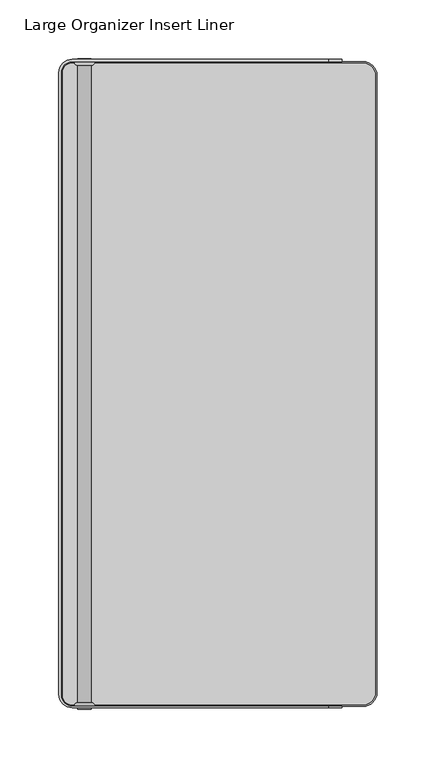
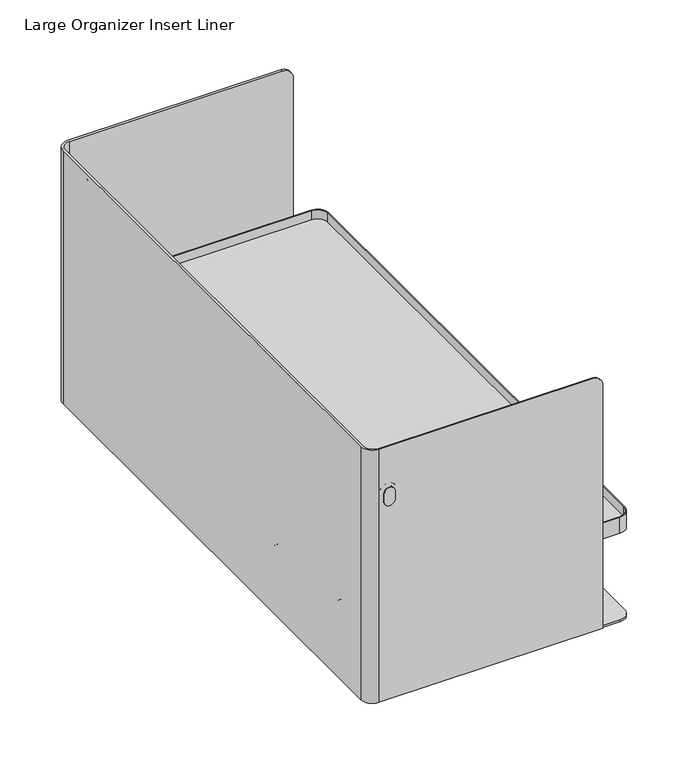
"""IFC4 building model written with IfcOpenShell, lengths in millimetres: furniture geometry, Large Organizer Insert Liner."""

from ifc_helpers import new_model, si_unit, point, frame, frame_2d, origin, place, context, project, spatial, polyline, circle_curve, ellipse_curve, trimmed, segment, composite_curve, outline, extrude, source, transform, mapped, element, save
from ifc_brep_helpers import plane_surface, cylinder_surface, revolved_surface, advanced_brep


def large_organizer_insert_liner_e83b734a(model_context):
    return source(origin(), model_context, "Body", "SolidModel", [
        extrude(outline(polyline([(123.2284967, 821.563), (123.2284967, 796.163), (97.8284967, 796.163), (97.8284967, 821.563), (123.2284967, 821.563)]), holes=[composite_curve([segment(trimmed(circle_curve(frame_2d((110.5284967, 808.801192)), 6.35), [point((104.1784967, 808.801192))], [point((116.8784967, 808.801192))], True, "CARTESIAN"), True, "CONTINUOUS"), segment(trimmed(circle_curve(frame_2d((110.5284967, 808.801192)), 6.35), [point((116.8784967, 808.801192))], [point((104.1784967, 808.801192))], True, "CARTESIAN"), True, "CONTINUOUS")], self_intersect=False)]), frame((69.0558844, 0.0, 0.0), z_axis=(1.0, 0.0, 0.0), x_axis=(0.0, 1.0, 0.0)), (0.0, 0.0, 1.0), 2.3082416),
        extrude(outline(composite_curve([segment(polyline([(326.4340844, -51.8041786), (78.5808844, -51.8041786)]), True, "CONTINUOUS"), segment(trimmed(circle_curve(frame_2d((78.5808844, -42.2791786)), 9.525), [point((78.5808844, -51.8041786))], [point((69.0558844, -42.2791786))], False, "CARTESIAN"), True, "CONTINUOUS"), segment(polyline([(69.0558844, -42.2791786), (69.0558844, 487.0568214)]), True, "CONTINUOUS"), segment(trimmed(circle_curve(frame_2d((78.5808844, 487.0568214)), 9.525), [point((69.0558844, 487.0568214))], [point((78.5808844, 496.5818214))], False, "CARTESIAN"), True, "CONTINUOUS"), segment(polyline([(78.5808844, 496.5818214), (326.4340844, 496.5818214)]), True, "CONTINUOUS"), segment(trimmed(circle_curve(frame_2d((326.4340844, 485.0248214)), 11.557), [point((326.4340844, 496.5818214))], [point((337.9910844, 485.0248214))], False, "CARTESIAN"), True, "CONTINUOUS"), segment(polyline([(337.9910844, 485.0248214), (337.9910844, -40.2471786)]), True, "CONTINUOUS"), segment(trimmed(circle_curve(frame_2d((326.4340844, -40.2471786)), 11.557), [point((337.9910844, -40.2471786))], [point((326.4340844, -51.8041786))], False, "CARTESIAN"), True, "CONTINUOUS")], self_intersect=False), holes=[composite_curve([segment(polyline([(70.2286266, 487.0568214), (70.2286266, -42.2791786)]), True, "CONTINUOUS"), segment(trimmed(circle_curve(frame_2d((78.5808844, -42.2791786)), 8.3522578), [point((70.2286266, -42.2791786))], [point((78.5808844, -50.6314364))], True, "CARTESIAN"), True, "CONTINUOUS"), segment(polyline([(78.5808844, -50.6314364), (326.4340844, -50.6314364)]), True, "CONTINUOUS"), segment(trimmed(circle_curve(frame_2d((326.4340844, -40.2471786)), 10.3842578), [point((326.4340844, -50.6314364))], [point((336.8183422, -40.2471786))], True, "CARTESIAN"), True, "CONTINUOUS"), segment(polyline([(336.8183422, -40.2471786), (336.8183422, 485.0248214)]), True, "CONTINUOUS"), segment(trimmed(circle_curve(frame_2d((326.4340844, 485.0248214)), 10.3842578), [point((336.8183422, 485.0248214))], [point((326.4340844, 495.4090792))], True, "CARTESIAN"), True, "CONTINUOUS"), segment(polyline([(326.4340844, 495.4090792), (78.5808844, 495.4090792)]), True, "CONTINUOUS"), segment(trimmed(circle_curve(frame_2d((78.5808844, 487.0568214)), 8.3522578), [point((78.5808844, 495.4090792))], [point((70.2286266, 487.0568214))], True, "CARTESIAN"), True, "CONTINUOUS")], self_intersect=False)]), frame((0.0, 0.0, 837.438), z_axis=(0.0, 0.0, 1.0), x_axis=(1.0, 0.0, 0.0)), (0.0, 0.0, 1.0), 17.4752),
        extrude(outline(polyline([(321.549146, 821.563), (346.949146, 821.563), (346.949146, 796.163), (321.549146, 796.163), (321.549146, 821.563)]), holes=[composite_curve([segment(trimmed(circle_curve(frame_2d((334.249146, 808.801192)), 6.35), [point((340.599146, 808.801192))], [point((327.899146, 808.801192))], True, "CARTESIAN"), True, "CONTINUOUS"), segment(trimmed(circle_curve(frame_2d((334.249146, 808.801192)), 6.35), [point((327.899146, 808.801192))], [point((340.599146, 808.801192))], True, "CARTESIAN"), True, "CONTINUOUS")], self_intersect=False)]), frame((69.0558844, 0.0, 0.0), z_axis=(1.0, 0.0, 0.0), x_axis=(0.0, 1.0, 0.0)), (0.0, 0.0, 1.0), 2.3082416),
        extrude(outline(composite_curve([segment(trimmed(circle_curve(frame_2d((440.5248531, 833.7812317)), 3.6567683), [point((440.5248531, 837.438))], [point((444.1816214, 833.7812317))], False, "CARTESIAN"), True, "CONTINUOUS"), segment(polyline([(444.1816214, 833.7812317), (444.1816214, 825.2197683)]), True, "CONTINUOUS"), segment(trimmed(circle_curve(frame_2d((440.5248531, 825.2197683)), 3.6567683), [point((444.1816214, 825.2197683))], [point((440.5248531, 821.563))], False, "CARTESIAN"), True, "CONTINUOUS"), segment(polyline([(440.5248531, 821.563), (4.2527896, 821.563)]), True, "CONTINUOUS"), segment(trimmed(circle_curve(frame_2d((4.2527896, 825.2197683)), 3.6567683), [point((4.2527896, 821.563))], [point((0.5960214, 825.2197683))], False, "CARTESIAN"), True, "CONTINUOUS"), segment(polyline([(0.5960214, 825.2197683), (0.5960214, 833.7812317)]), True, "CONTINUOUS"), segment(trimmed(circle_curve(frame_2d((4.2527896, 833.7812317)), 3.6567683), [point((0.5960214, 833.7812317))], [point((4.2527896, 837.438))], False, "CARTESIAN"), True, "CONTINUOUS"), segment(polyline([(4.2527896, 837.438), (440.5248531, 837.438)]), True, "CONTINUOUS")], self_intersect=False)), frame((69.0558844, 0.0, 0.0), z_axis=(1.0, 0.0, 0.0), x_axis=(0.0, 1.0, 0.0)), (0.0, 0.0, 1.0), 2.3082416),
        extrude(outline(composite_curve([segment(trimmed(circle_curve(frame_2d((293.7735025, 30.9020395)), 3.9839818), [point((293.7735025, 34.8860214))], [point((297.7574844, 30.9020395))], False, "CARTESIAN"), True, "CONTINUOUS"), segment(polyline([(297.7574844, 30.9020395), (297.7574844, 4.5800032)]), True, "CONTINUOUS"), segment(trimmed(circle_curve(frame_2d((293.7735025, 4.5800032)), 3.9839818), [point((297.7574844, 4.5800032))], [point((293.7735025, 0.5960214))], False, "CARTESIAN"), True, "CONTINUOUS"), segment(polyline([(293.7735025, 0.5960214), (111.2414662, 0.5960214)]), True, "CONTINUOUS"), segment(trimmed(circle_curve(frame_2d((111.2414662, 4.5800032)), 3.9839818), [point((111.2414662, 0.5960214))], [point((107.2574844, 4.5800032))], False, "CARTESIAN"), True, "CONTINUOUS"), segment(polyline([(107.2574844, 4.5800032), (107.2574844, 30.9020395)]), True, "CONTINUOUS"), segment(trimmed(circle_curve(frame_2d((111.2414662, 30.9020395)), 3.9839818), [point((107.2574844, 30.9020395))], [point((111.2414662, 34.8860214))], False, "CARTESIAN"), True, "CONTINUOUS"), segment(polyline([(111.2414662, 34.8860214), (293.7735025, 34.8860214)]), True, "CONTINUOUS")], self_intersect=False)), frame((0.0, 0.0, 736.6), z_axis=(0.0, 0.0, 1.0), x_axis=(1.0, 0.0, 0.0)), (0.0, 0.0, 1.0), 5.08),
        extrude(outline(composite_curve([segment(polyline([(293.7735025, 409.8916214), (111.2414662, 409.8916214)]), True, "CONTINUOUS"), segment(trimmed(circle_curve(frame_2d((111.2414662, 413.8756032)), 3.9839818), [point((111.2414662, 409.8916214))], [point((107.2574844, 413.8756032))], False, "CARTESIAN"), True, "CONTINUOUS"), segment(polyline([(107.2574844, 413.8756032), (107.2574844, 440.1976395)]), True, "CONTINUOUS"), segment(trimmed(circle_curve(frame_2d((111.2414662, 440.1976395)), 3.9839818), [point((107.2574844, 440.1976395))], [point((111.2414662, 444.1816214))], False, "CARTESIAN"), True, "CONTINUOUS"), segment(polyline([(111.2414662, 444.1816214), (293.7735025, 444.1816214)]), True, "CONTINUOUS"), segment(trimmed(circle_curve(frame_2d((293.7735025, 440.1976395)), 3.9839818), [point((293.7735025, 444.1816214))], [point((297.7574844, 440.1976395))], False, "CARTESIAN"), True, "CONTINUOUS"), segment(polyline([(297.7574844, 440.1976395), (297.7574844, 413.8756032)]), True, "CONTINUOUS"), segment(trimmed(circle_curve(frame_2d((293.7735025, 413.8756032)), 3.9839818), [point((297.7574844, 413.8756032))], [point((293.7735025, 409.8916214))], False, "CARTESIAN"), True, "CONTINUOUS")], self_intersect=False)), frame((0.0, 0.0, 736.6), z_axis=(0.0, 0.0, 1.0), x_axis=(1.0, 0.0, 0.0)), (0.0, 0.0, 1.0), 5.08),
        extrude(outline(composite_curve([segment(trimmed(circle_curve(frame_2d((326.4340844, -40.2471786)), 11.557), [point((337.9910844, -40.2471786))], [point((326.4340844, -51.8041786))], False, "CARTESIAN"), True, "CONTINUOUS"), segment(polyline([(326.4340844, -51.8041786), (78.5808844, -51.8041786)]), True, "CONTINUOUS"), segment(trimmed(circle_curve(frame_2d((78.5808844, -42.2791786)), 9.525), [point((78.5808844, -51.8041786))], [point((69.0558844, -42.2791786))], False, "CARTESIAN"), True, "CONTINUOUS"), segment(polyline([(69.0558844, -42.2791786), (69.0558844, 487.0568214)]), True, "CONTINUOUS"), segment(trimmed(circle_curve(frame_2d((78.5808844, 487.0568214)), 9.525), [point((69.0558844, 487.0568214))], [point((78.5808844, 496.5818214))], False, "CARTESIAN"), True, "CONTINUOUS"), segment(polyline([(78.5808844, 496.5818214), (326.4340844, 496.5818214)]), True, "CONTINUOUS"), segment(trimmed(circle_curve(frame_2d((326.4340844, 485.0248214)), 11.557), [point((326.4340844, 496.5818214))], [point((337.9910844, 485.0248214))], False, "CARTESIAN"), True, "CONTINUOUS"), segment(polyline([(337.9910844, 485.0248214), (337.9910844, -40.2471786)]), True, "CONTINUOUS")], self_intersect=False)), frame((0.0, 0.0, 741.68), z_axis=(0.0, 0.0, 1.0), x_axis=(1.0, 0.0, 0.0)), (0.0, 0.0, 1.0), 2.032),
        extrude(outline(composite_curve([segment(polyline([(337.2290844, 485.0248214), (337.2290844, -40.2471786)]), True, "CONTINUOUS"), segment(trimmed(circle_curve(frame_2d((326.4340844, -40.2471786)), 10.795), [point((337.2290844, -40.2471786))], [point((326.4340844, -51.0421786))], False, "CARTESIAN"), True, "CONTINUOUS"), segment(polyline([(326.4340844, -51.0421786), (78.5808844, -51.0421786)]), True, "CONTINUOUS"), segment(trimmed(circle_curve(frame_2d((78.5808844, -42.2791786)), 8.763), [point((78.5808844, -51.0421786))], [point((69.8178844, -42.2791786))], False, "CARTESIAN"), True, "CONTINUOUS"), segment(polyline([(69.8178844, -42.2791786), (69.8178844, 487.0568214)]), True, "CONTINUOUS"), segment(trimmed(circle_curve(frame_2d((78.5808844, 487.0568214)), 8.763), [point((69.8178844, 487.0568214))], [point((78.5808844, 495.8198214))], False, "CARTESIAN"), True, "CONTINUOUS"), segment(polyline([(78.5808844, 495.8198214), (326.4340844, 495.8198214)]), True, "CONTINUOUS"), segment(trimmed(circle_curve(frame_2d((326.4340844, 485.0248214)), 10.795), [point((326.4340844, 495.8198214))], [point((337.2290844, 485.0248214))], False, "CARTESIAN"), True, "CONTINUOUS")], self_intersect=False)), frame((0.0, 0.0, 843.56575), z_axis=(0.0, 0.0, 1.0), x_axis=(1.0, 0.0, 0.0)), (0.0, 0.0, 1.0), 2.032),
        advanced_brep(
        [(83.3751344, 493.4947261, 957.99275), (83.3751344, 496.5818214, 957.99275), (80.2880391, 496.5818214, 957.99275), (94.8051344, 496.5818214, 957.99275), (94.8051344, 493.4947261, 957.99275), (97.8922296, 496.5818214, 957.99275), (94.8051344, 496.5818214, 965.86675), (83.3751344, 496.5818214, 965.86675), (80.2880391, 496.5818214, 965.86675), (97.8922296, 496.5818214, 965.86675), (94.8051344, 493.4947261, 965.86675), (83.3751344, 493.4947261, 965.86675)],
        [
            (0, 1),
            (1, 2),
            (2, 0, circle_curve(frame((83.3751344, 496.5818214, 957.99275), z_axis=(0.0, 0.0, 1.0), x_axis=(-1.0, 0.0, 0.0)), 3.0870953)),
            (3, 1, circle_curve(frame((89.0901344, 496.5818214, 957.99275), z_axis=(0.0, 1.0, 0.0), x_axis=(-1.0, 0.0, 0.0)), 5.715)),
            (0, 4, circle_curve(frame((89.0901344, 493.4947261, 957.99275), z_axis=(0.0, -1.0, 0.0), x_axis=(-1.0, 0.0, 0.0)), 5.715)),
            (4, 3),
            (5, 2, circle_curve(frame((89.0901344, 496.5818214, 957.99275), z_axis=(0.0, 1.0, 0.0), x_axis=(-1.0, 0.0, 0.0)), 8.8020953)),
            (3, 6),
            (6, 7, circle_curve(frame((89.0901344, 496.5818214, 965.86675), z_axis=(0.0, -1.0, 0.0), x_axis=(1.0, 0.0, 0.0)), 5.715)),
            (7, 8),
            (8, 9, circle_curve(frame((89.0901344, 496.5818214, 965.86675), z_axis=(0.0, 1.0, 0.0), x_axis=(1.0, 0.0, 0.0)), 8.8020953)),
            (9, 5),
            (5, 4, circle_curve(frame((94.8051344, 496.5818214, 957.99275), z_axis=(0.0, 0.0, -1.0), x_axis=(1.0, 0.0, 0.0)), 3.0870953)),
            (4, 10),
            (10, 6),
            (9, 10, circle_curve(frame((94.8051344, 496.5818214, 965.86675), z_axis=(0.0, 0.0, -1.0), x_axis=(1.0, 0.0, 0.0)), 3.0870953)),
            (11, 8, circle_curve(frame((83.3751344, 496.5818214, 965.86675), z_axis=(0.0, 0.0, -1.0), x_axis=(-1.0, 0.0, 0.0)), 3.0870953)),
            (7, 11),
            (10, 11, circle_curve(frame((89.0901344, 493.4947261, 965.86675), z_axis=(0.0, -1.0, 0.0), x_axis=(1.0, 0.0, 0.0)), 5.715)),
        ],
        [
            plane_surface(frame((83.3751344, 496.5818214, 957.99275), z_axis=(0.0, 0.0, 1.0), x_axis=(0.0, 1.0, 0.0))),
            revolved_surface(polyline([(83.3751344, 493.4947261, 957.99275), (83.3751344, 496.5818214, 957.99275)]), (89.0901344, 496.5818214, 957.99275), (0.0, -1.0, 0.0)),
            plane_surface(frame((89.0901344, 496.5818214, 957.99275), z_axis=(0.0, 1.0, 0.0), x_axis=(-1.0, 0.0, 0.0))),
            revolved_surface(trimmed(ellipse_curve(frame((83.3751344, 496.5818214, 957.99275), z_axis=(0.0, 0.0, 1.0), x_axis=(-1.0, 0.0, 0.0)), 3.0870953, 3.0870953), [point((80.2880391, 496.5818214, 957.99275))], [point((83.3751344, 493.4947261, 957.99275))], True, "CARTESIAN"), (89.0901344, 496.5818214, 957.99275), (0.0, -1.0, 0.0)),
            plane_surface(frame((94.8051344, 493.4947261, 957.99275), z_axis=(-1.0, 0.0, 0.0), x_axis=(0.0, 0.0, 1.0))),
            cylinder_surface(frame((94.8051344, 496.5818214, 957.99275), z_axis=(0.0, 0.0, -1.0), x_axis=(1.0, 0.0, 0.0)), 3.0870953),
            plane_surface(frame((83.3751344, 496.5818214, 965.86675), z_axis=(0.0, 0.0, -1.0), x_axis=(0.0, 1.0, 0.0))),
            revolved_surface(polyline([(94.8051344, 493.4947261, 965.86675), (94.8051344, 496.5818214, 965.86675)]), (89.0901344, 496.5818214, 965.86675), (0.0, -1.0, 0.0)),
            revolved_surface(trimmed(ellipse_curve(frame((94.8051344, 496.5818214, 965.86675), z_axis=(0.0, 0.0, -1.0), x_axis=(1.0, 0.0, 0.0)), 3.0870953, 3.0870953), [point((97.8922296, 496.5818214, 965.86675))], [point((94.8051344, 493.4947261, 965.86675))], True, "CARTESIAN"), (89.0901344, 496.5818214, 965.86675), (0.0, -1.0, 0.0)),
        ],
        [
            (0, [[1, 2, 3]]),
            (1, [[4, -1, 5, 6]]),
            (2, [[7, -2, -4, 8, 9, 10, 11, 12]]),
            (3, [[-5, -3, -7, 13]]),
            (4, [[-6, 14, 15, -8]]),
            (5, [[-13, -12, 16, -14]]),
            (6, [[17, -10, 18]]),
            (7, [[-9, -15, 19, -18]]),
            (8, [[-19, -16, -11, -17]]),
        ],
    ),
        advanced_brep(
        [(80.2878455, -51.8041786, 965.86675), (83.3751344, -48.7168897, 965.86675), (83.3751344, -51.8041786, 965.86675), (94.8051344, -51.8041786, 965.86675), (94.8051344, -48.7168897, 965.86675), (97.8924233, -51.8041786, 965.86675), (94.8051344, -51.8041786, 957.99275), (83.3751344, -51.8041786, 957.99275), (80.2878455, -51.8041786, 957.99275), (97.8924233, -51.8041786, 957.99275), (94.8051344, -48.7168897, 957.99275), (83.3751344, -48.7168897, 957.99275)],
        [
            (0, 1, circle_curve(frame((83.3751344, -51.8041786, 965.86675), z_axis=(0.0, 0.0, -1.0), x_axis=(-1.0, 0.0, 0.0)), 3.0872889)),
            (1, 2),
            (2, 0),
            (3, 2, circle_curve(frame((89.0901344, -51.8041786, 965.86675), z_axis=(0.0, -1.0, 0.0), x_axis=(-1.0, 0.0, 0.0)), 5.715)),
            (1, 4, circle_curve(frame((89.0901344, -48.7168897, 965.86675), z_axis=(0.0, 1.0, 0.0), x_axis=(-1.0, 0.0, 0.0)), 5.715)),
            (4, 3),
            (5, 0, circle_curve(frame((89.0901344, -51.8041786, 965.86675), z_axis=(0.0, -1.0, 0.0), x_axis=(-1.0, 0.0, 0.0)), 8.8022889)),
            (3, 6),
            (6, 7, circle_curve(frame((89.0901344, -51.8041786, 957.99275), z_axis=(0.0, 1.0, 0.0), x_axis=(1.0, 0.0, 0.0)), 5.715)),
            (7, 8),
            (8, 9, circle_curve(frame((89.0901344, -51.8041786, 957.99275), z_axis=(0.0, -1.0, 0.0), x_axis=(1.0, 0.0, 0.0)), 8.8022889)),
            (9, 5),
            (4, 10),
            (10, 6),
            (7, 11),
            (11, 8, circle_curve(frame((83.3751344, -51.8041786, 957.99275), z_axis=(0.0, 0.0, 1.0), x_axis=(-1.0, 0.0, 0.0)), 3.0872889)),
            (10, 11, circle_curve(frame((89.0901344, -48.7168897, 957.99275), z_axis=(0.0, 1.0, 0.0), x_axis=(1.0, 0.0, 0.0)), 5.715)),
            (5, 4, circle_curve(frame((94.8051344, -51.8041786, 965.86675), z_axis=(0.0, 0.0, 1.0), x_axis=(1.0, 0.0, 0.0)), 3.0872889)),
            (9, 10, circle_curve(frame((94.8051344, -51.8041786, 957.99275), z_axis=(0.0, 0.0, 1.0), x_axis=(1.0, 0.0, 0.0)), 3.0872889)),
        ],
        [
            plane_surface(frame((83.3751344, -51.8041786, 965.86675), z_axis=(0.0, 0.0, -1.0), x_axis=(0.0, -1.0, 0.0))),
            revolved_surface(polyline([(83.3751344, -48.7168897, 965.86675), (83.3751344, -51.8041786, 965.86675)]), (89.0901344, -51.8041786, 965.86675), (0.0, 1.0, 0.0)),
            plane_surface(frame((89.0901344, -51.8041786, 965.86675), z_axis=(0.0, -1.0, 0.0), x_axis=(-1.0, 0.0, 0.0))),
            plane_surface(frame((94.8051344, -48.7168897, 965.86675), z_axis=(-1.0, 0.0, 0.0), x_axis=(0.0, 0.0, -1.0))),
            plane_surface(frame((83.3751344, -51.8041786, 957.99275), z_axis=(0.0, 0.0, 1.0), x_axis=(0.0, -1.0, 0.0))),
            revolved_surface(polyline([(94.8051344, -48.7168897, 957.99275), (94.8051344, -51.8041786, 957.99275)]), (89.0901344, -51.8041786, 957.99275), (0.0, 1.0, 0.0)),
            revolved_surface(trimmed(ellipse_curve(frame((83.3751344, -51.8041786, 965.86675), z_axis=(0.0, 0.0, -1.0), x_axis=(-1.0, 0.0, 0.0)), 3.0872889, 3.0872889), [point((80.2878455, -51.8041786, 965.86675))], [point((83.3751344, -48.7168897, 965.86675))], True, "CARTESIAN"), (89.0901344, -51.8041786, 965.86675), (0.0, 1.0, 0.0)),
            cylinder_surface(frame((94.8051344, -51.8041786, 965.86675), z_axis=(0.0, 0.0, 1.0), x_axis=(1.0, 0.0, 0.0)), 3.0872889),
            revolved_surface(trimmed(ellipse_curve(frame((94.8051344, -51.8041786, 957.99275), z_axis=(0.0, 0.0, 1.0), x_axis=(1.0, 0.0, 0.0)), 3.0872889, 3.0872889), [point((97.8924233, -51.8041786, 957.99275))], [point((94.8051344, -48.7168897, 957.99275))], True, "CARTESIAN"), (89.0901344, -51.8041786, 957.99275), (0.0, 1.0, 0.0)),
        ],
        [
            (0, [[1, 2, 3]]),
            (1, [[4, -2, 5, 6]]),
            (2, [[7, -3, -4, 8, 9, 10, 11, 12]]),
            (3, [[-6, 13, 14, -8]]),
            (4, [[-10, 15, 16]]),
            (5, [[-9, -14, 17, -15]]),
            (6, [[-5, -1, -7, 18]]),
            (7, [[-18, -12, 19, -13]]),
            (8, [[-17, -19, -11, -16]]),
        ],
    ),
        extrude(outline(composite_curve([segment(trimmed(circle_curve(frame_2d((965.86675, 89.0901344)), 5.715), [point((965.86675, 94.8051344))], [point((965.86675, 83.3751344))], False, "CARTESIAN"), True, "CONTINUOUS"), segment(polyline([(965.86675, 83.3751344), (957.99275, 83.3751344)]), True, "CONTINUOUS"), segment(trimmed(circle_curve(frame_2d((957.99275, 89.0901344)), 5.715), [point((957.99275, 83.3751344))], [point((957.99275, 94.8051344))], False, "CARTESIAN"), True, "CONTINUOUS"), segment(polyline([(957.99275, 94.8051344), (965.86675, 94.8051344)]), True, "CONTINUOUS")], self_intersect=False)), frame((0.0, -54.2806595, 0.0), z_axis=(0.0, 1.0, 0.0), x_axis=(0.0, 0.0, 1.0)), (0.0, 0.0, 1.0), 0.8889618),
        extrude(outline(composite_curve([segment(trimmed(circle_curve(frame_2d((965.86675, 89.0901344)), 5.715), [point((965.86675, 94.8051344))], [point((965.86675, 83.3751344))], False, "CARTESIAN"), True, "CONTINUOUS"), segment(polyline([(965.86675, 83.3751344), (957.99275, 83.3751344)]), True, "CONTINUOUS"), segment(trimmed(circle_curve(frame_2d((957.99275, 89.0901344)), 5.715), [point((957.99275, 83.3751344))], [point((957.99275, 94.8051344))], False, "CARTESIAN"), True, "CONTINUOUS"), segment(polyline([(957.99275, 94.8051344), (965.86675, 94.8051344)]), True, "CONTINUOUS")], self_intersect=False)), frame((0.0, 498.1693405, 0.0), z_axis=(0.0, 1.0, 0.0), x_axis=(0.0, 0.0, 1.0)), (0.0, 0.0, 1.0), 0.8889618),
        extrude(outline(composite_curve([segment(trimmed(circle_curve(frame_2d((965.86675, 89.0901344)), 5.715), [point((965.86675, 94.8051344))], [point((965.86675, 83.3751344))], False, "CARTESIAN"), True, "CONTINUOUS"), segment(polyline([(965.86675, 83.3751344), (963.96175, 83.3751344), (963.96175, 84.4030979)]), True, "CONTINUOUS"), segment(trimmed(circle_curve(frame_2d((963.1259254, 84.4030979)), 0.8358246), [point((963.96175, 84.4030979))], [point((963.1259254, 85.2389224))], True, "CARTESIAN"), True, "CONTINUOUS"), segment(polyline([(963.1259254, 85.2389224), (960.7335746, 85.2389224)]), True, "CONTINUOUS"), segment(trimmed(circle_curve(frame_2d((960.7335746, 84.4030979)), 0.8358246), [point((960.7335746, 85.2389224))], [point((959.89775, 84.4030979))], True, "CARTESIAN"), True, "CONTINUOUS"), segment(polyline([(959.89775, 84.4030979), (959.89775, 83.3751344), (957.99275, 83.3751344)]), True, "CONTINUOUS"), segment(trimmed(circle_curve(frame_2d((957.99275, 89.0901344)), 5.715), [point((957.99275, 83.3751344))], [point((957.99275, 94.8051344))], False, "CARTESIAN"), True, "CONTINUOUS"), segment(polyline([(957.99275, 94.8051344), (965.86675, 94.8051344)]), True, "CONTINUOUS")], self_intersect=False), holes=[composite_curve([segment(polyline([(964.8722944, 85.2293344), (965.86675, 85.2293344)]), True, "CONTINUOUS"), segment(trimmed(circle_curve(frame_2d((965.86675, 89.0901344)), 3.8608), [point((965.86675, 85.2293344))], [point((965.86675, 92.9509344))], True, "CARTESIAN"), True, "CONTINUOUS"), segment(polyline([(965.86675, 92.9509344), (957.99275, 92.9509344)]), True, "CONTINUOUS"), segment(trimmed(circle_curve(frame_2d((957.99275, 89.0901344)), 3.8608), [point((957.99275, 92.9509344))], [point((957.99275, 85.2293344))], True, "CARTESIAN"), True, "CONTINUOUS"), segment(polyline([(957.99275, 85.2293344), (958.9872056, 85.2293344), (958.9872056, 87.0931224), (964.8722944, 87.0931224), (964.8722944, 85.2293344)]), True, "CONTINUOUS")], self_intersect=False)]), frame((0.0, -51.8041786, 0.0), z_axis=(0.0, 1.0, 0.0), x_axis=(0.0, 0.0, 1.0)), (0.0, 0.0, 1.0), 548.386),
        advanced_brep(
        [(78.5808844, 498.6138214, 1016.0), (67.0238844, 487.0568214, 1016.0), (67.0238844, -41.3902168, 1016.0), (78.5808844, -52.9472168, 1016.0), (296.7668844, -52.9472168, 1016.0), (296.7668844, -51.8041786, 1016.0), (78.5808844, -51.8041786, 1016.0), (69.0558844, -42.2791786, 1016.0), (69.0558844, 487.0568214, 1016.0), (78.5808844, 496.5818214, 1016.0), (296.7668844, 496.5818214, 1016.0), (296.7668844, 498.6138214, 1016.0), (308.3238844, 496.5818214, 741.68), (78.5808844, 496.5818214, 741.68), (69.0558844, 487.0568214, 741.68), (69.0558844, -42.2791786, 741.68), (78.5808844, -51.8041786, 741.68), (308.3238844, -51.8041786, 741.68), (308.3238844, -52.9472168, 741.68), (78.5808844, -52.9472168, 741.68), (67.0238844, -41.3902168, 741.68), (67.0238844, 487.0568214, 741.68), (78.5808844, 498.6138214, 741.68), (308.3238844, 498.6138214, 741.68), (308.3238844, 498.6138214, 1004.443), (308.3238844, 496.5818214, 1004.443), (308.3238844, -52.9472168, 1004.443), (308.3238844, -51.8041786, 1004.443)],
        [
            (0, 1, circle_curve(frame((78.5808844, 487.0568214, 1016.0), z_axis=(0.0, 0.0, 1.0), x_axis=(0.0, 1.0, 0.0)), 11.557)),
            (1, 2),
            (2, 3, circle_curve(frame((78.5808844, -41.3902168, 1016.0), z_axis=(0.0, 0.0, 1.0), x_axis=(0.0, 1.0, 0.0)), 11.557)),
            (3, 4),
            (4, 5),
            (5, 6),
            (6, 7, circle_curve(frame((78.5808844, -42.2791786, 1016.0), z_axis=(0.0, 0.0, -1.0), x_axis=(0.0, 1.0, 0.0)), 9.525)),
            (7, 8),
            (8, 9, circle_curve(frame((78.5808844, 487.0568214, 1016.0), z_axis=(0.0, 0.0, -1.0), x_axis=(0.0, 1.0, 0.0)), 9.525)),
            (9, 10),
            (10, 11),
            (11, 0),
            (12, 13),
            (13, 14, circle_curve(frame((78.5808844, 487.0568214, 741.68), z_axis=(0.0, 0.0, 1.0), x_axis=(0.0, 1.0, 0.0)), 9.525)),
            (14, 15),
            (15, 16, circle_curve(frame((78.5808844, -42.2791786, 741.68), z_axis=(0.0, 0.0, 1.0), x_axis=(0.0, 1.0, 0.0)), 9.525)),
            (16, 17),
            (17, 18),
            (18, 19),
            (19, 20, circle_curve(frame((78.5808844, -41.3902168, 741.68), z_axis=(0.0, 0.0, -1.0), x_axis=(0.0, 1.0, 0.0)), 11.557)),
            (20, 21),
            (21, 22, circle_curve(frame((78.5808844, 487.0568214, 741.68), z_axis=(0.0, 0.0, -1.0), x_axis=(0.0, 1.0, 0.0)), 11.557)),
            (22, 23),
            (23, 12),
            (23, 24),
            (24, 25),
            (25, 12),
            (22, 0),
            (11, 24, circle_curve(frame((296.7668844, 498.6138214, 1004.443), z_axis=(0.0, 1.0, 0.0), x_axis=(-1.0, 0.0, 0.0)), 11.557)),
            (21, 1),
            (20, 2),
            (19, 3),
            (18, 26),
            (26, 4, circle_curve(frame((296.7668844, -52.9472168, 1004.443), z_axis=(0.0, -1.0, 0.0), x_axis=(-1.0, 0.0, 0.0)), 11.557)),
            (17, 27),
            (27, 26),
            (16, 6),
            (5, 27, circle_curve(frame((296.7668844, -51.8041786, 1004.443), z_axis=(0.0, 1.0, 0.0), x_axis=(-1.0, 0.0, 0.0)), 11.557)),
            (15, 7),
            (14, 8),
            (13, 9),
            (25, 10, circle_curve(frame((296.7668844, 496.5818214, 1004.443), z_axis=(0.0, -1.0, 0.0), x_axis=(-1.0, 0.0, 0.0)), 11.557)),
        ],
        [
            plane_surface(frame((308.3238844, 498.6138214, 1016.0), z_axis=(0.0, 0.0, 1.0), x_axis=(0.0, 1.0, 0.0))),
            plane_surface(frame((308.3238844, 498.6138214, 741.68), z_axis=(0.0, 0.0, -1.0), x_axis=(0.0, -1.0, 0.0))),
            plane_surface(frame((308.3238844, 496.5818214, 1016.0), z_axis=(1.0, 0.0, 0.0), x_axis=(0.0, 0.0, -1.0))),
            plane_surface(frame((308.3238844, 498.6138214, 1016.0), z_axis=(0.0, 1.0, 0.0), x_axis=(0.0, 0.0, -1.0))),
            cylinder_surface(frame((78.5808844, 487.0568214, 741.68), z_axis=(0.0, 0.0, 1.0), x_axis=(0.0, 1.0, 0.0)), 11.557),
            plane_surface(frame((67.0238844, 487.0568214, 1016.0), z_axis=(-1.0, 0.0, 0.0), x_axis=(0.0, 0.0, -1.0))),
            cylinder_surface(frame((78.5808844, -41.3902168, 741.68), z_axis=(0.0, 0.0, 1.0), x_axis=(0.0, 1.0, 0.0)), 11.557),
            plane_surface(frame((78.5808844, -52.9472168, 1016.0), z_axis=(0.0, -1.0, 0.0), x_axis=(0.0, 0.0, -1.0))),
            plane_surface(frame((308.3238844, -52.9472168, 1016.0), z_axis=(1.0, 0.0, 0.0), x_axis=(0.0, 0.0, -1.0))),
            plane_surface(frame((308.3238844, -51.8041786, 1016.0), z_axis=(0.0, 1.0, 0.0), x_axis=(0.0, 0.0, -1.0))),
            revolved_surface(polyline([(78.5808844, -32.7541786, 741.68), (78.5808844, -32.7541786, 1016.0)]), (78.5808844, -42.2791786, 741.68), (0.0, 0.0, -1.0)),
            plane_surface(frame((69.0558844, -42.2791786, 1016.0), z_axis=(1.0, 0.0, 0.0), x_axis=(0.0, 0.0, -1.0))),
            revolved_surface(polyline([(78.5808844, 496.58182139999997, 741.68), (78.5808844, 496.58182139999997, 1016.0)]), (78.5808844, 487.0568214, 741.68), (0.0, 0.0, -1.0)),
            plane_surface(frame((78.5808844, 496.5818214, 1016.0), z_axis=(0.0, -1.0, 0.0), x_axis=(0.0, 0.0, -1.0))),
            cylinder_surface(frame((296.7668844, -53.8361786, 1004.443), z_axis=(0.0, -1.0, 0.0), x_axis=(-1.0, 0.0, 0.0)), 11.557),
        ],
        [
            (0, [[1, 2, 3, 4, 5, 6, 7, 8, 9, 10, 11, 12]]),
            (1, [[13, 14, 15, 16, 17, 18, 19, 20, 21, 22, 23, 24]]),
            (2, [[-24, 25, 26, 27]]),
            (3, [[-23, 28, -12, 29, -25]]),
            (4, [[-1, -28, -22, 30]]),
            (5, [[-2, -30, -21, 31]]),
            (6, [[-3, -31, -20, 32]]),
            (7, [[-19, 33, 34, -4, -32]]),
            (8, [[-18, 35, 36, -33]]),
            (9, [[-17, 37, -6, 38, -35]]),
            (10, [[-7, -37, -16, 39]]),
            (11, [[-8, -39, -15, 40]]),
            (12, [[-9, -40, -14, 41]]),
            (13, [[-13, -27, 42, -10, -41]]),
            (14, [[-5, -34, -36, -38]]),
            (14, [[-11, -42, -26, -29]]),
        ],
    ),
        extrude(outline(composite_curve([segment(trimmed(circle_curve(frame_2d((78.5808844, 487.0568214)), 8.763), [point((69.8178844, 487.0568214))], [point((78.5808844, 495.8198214))], False, "CARTESIAN"), True, "CONTINUOUS"), segment(polyline([(78.5808844, 495.8198214), (326.4340844, 495.8198214)]), True, "CONTINUOUS"), segment(trimmed(circle_curve(frame_2d((326.4340844, 485.0248214)), 10.795), [point((326.4340844, 495.8198214))], [point((337.2290844, 485.0248214))], False, "CARTESIAN"), True, "CONTINUOUS"), segment(polyline([(337.2290844, 485.0248214), (337.2290844, -40.2471786)]), True, "CONTINUOUS"), segment(trimmed(circle_curve(frame_2d((326.4340844, -40.2471786)), 10.795), [point((337.2290844, -40.2471786))], [point((326.4340844, -51.0421786))], False, "CARTESIAN"), True, "CONTINUOUS"), segment(polyline([(326.4340844, -51.0421786), (78.5808844, -51.0421786)]), True, "CONTINUOUS"), segment(trimmed(circle_curve(frame_2d((78.5808844, -42.2791786)), 8.763), [point((78.5808844, -51.0421786))], [point((69.8178844, -42.2791786))], False, "CARTESIAN"), True, "CONTINUOUS"), segment(polyline([(69.8178844, -42.2791786), (69.8178844, 487.0568214)]), True, "CONTINUOUS")], self_intersect=False)), frame((0.0, 0.0, 841.53375), z_axis=(0.0, 0.0, 1.0), x_axis=(1.0, 0.0, 0.0)), (0.0, 0.0, 1.0), 2.032),
    ])


if __name__ == "__main__":
    model = new_model("IFC4")
    model_context = context("Model", 3, world=origin())
    ifc_project = project(units=[si_unit("LENGTHUNIT", "METRE", prefix="MILLI")], contexts=[model_context])
    site = spatial("IfcSite", under=ifc_project)
    building = spatial("IfcBuilding", under=site)
    placement = place(None, origin())
    large_organizer_insert_liner_shape = large_organizer_insert_liner_e83b734a(model_context)
    element("IfcFurniture", 1, ObjectType="Large Organizer Insert Liner", at=placement, inside=building, context=model_context, shape_type="MappedRepresentation", body=[
        mapped(large_organizer_insert_liner_shape, transform((0.0, 0.0, 0.0), x_axis=(1.0, 0.0, 0.0), y_axis=(0.0, 1.0, 0.0), z_axis=(0.0, 0.0, 1.0))),
    ])
    save(model, "model.ifc")
